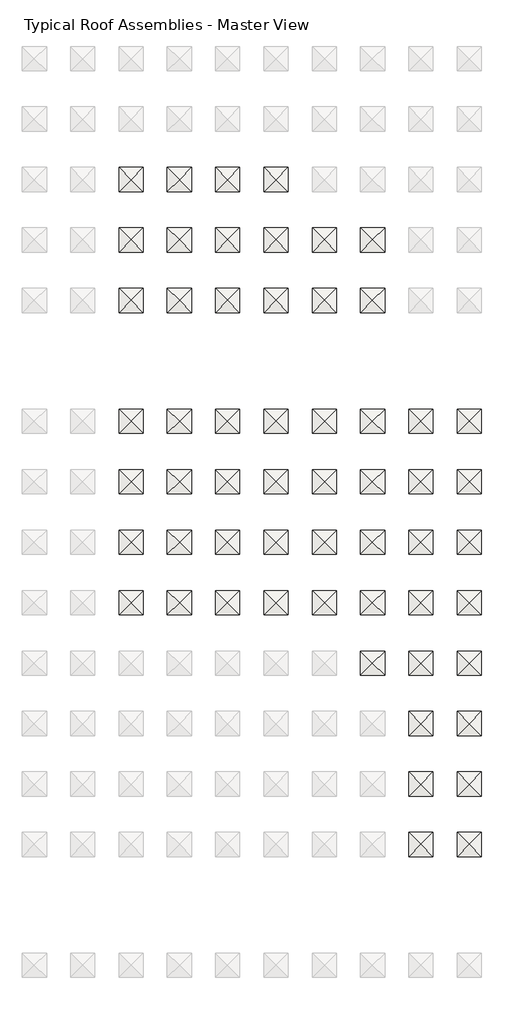
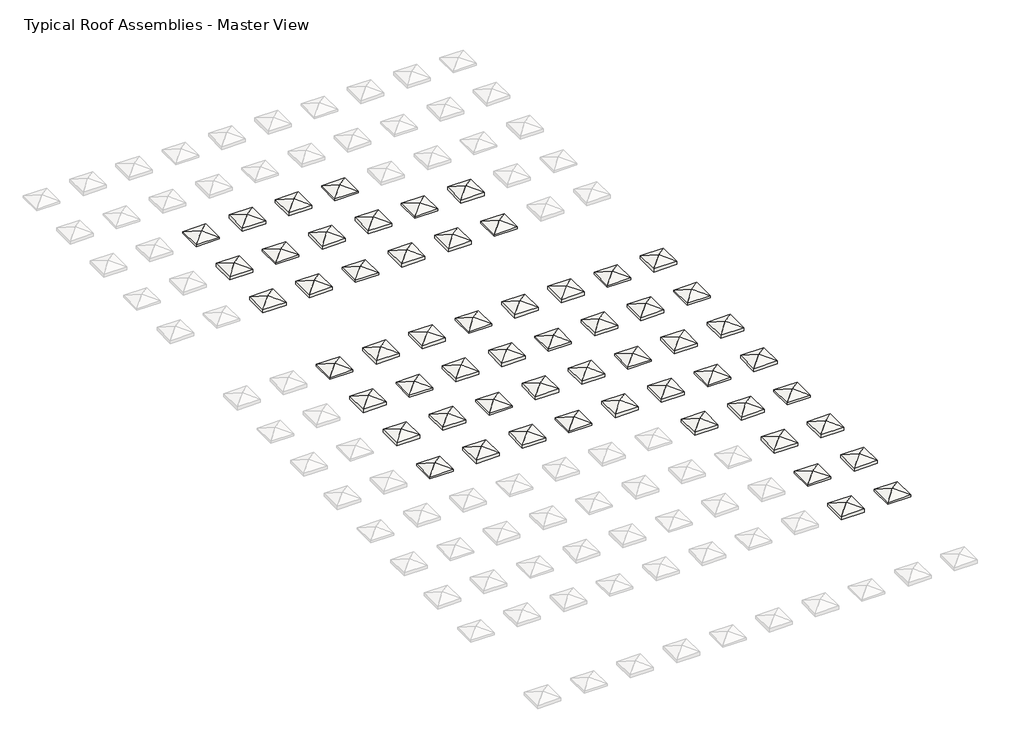
# One storey, part 4 of 6: 57 roofs.
"""IFC4 building model written with IfcOpenShell, lengths in millimetres."""

from ifc_helpers import new_model, si_unit, origin, place, context, project, spatial, faceted_brep, element, save

model = new_model("IFC4")

# Units and contexts
model_context = context("Model", 3, world=origin())
ifc_project = project(units=[si_unit("LENGTHUNIT", "METRE", prefix="MILLI")], contexts=[model_context])

# Site, building, storey
site = spatial("IfcSite", under=ifc_project)
building = spatial("IfcBuilding", under=site)
storey = spatial("IfcBuildingStorey", under=building, Name="Typical Roof Assemblies - Master View", Elevation=3048.0)

# Roofs
placement = place(None, origin())
element("IfcRoof", 1, at=placement, inside=storey, context=model_context, shape_type="Brep", body=[
    faceted_brep([(285.2728707, -99264.4766531, 3556.0), (1809.2728707, -97740.4766531, 3048.0), (1809.2728707, -100788.4766531, 3048.0), (-1238.7271293, -97740.4766531, 3048.0), (-1238.7271293, -100788.4766531, 3048.0), (1809.2728707, -97740.4766531, 3304.0928432), (285.2728707, -99264.4766531, 3812.0928432), (1809.2728707, -100788.4766531, 3304.0928432), (-1238.7271293, -97740.4766531, 3304.0928432), (-1238.7271293, -100788.4766531, 3304.0928432)], [[[0, 1, 2]], [[3, 0, 4]], [[1, 0, 3]], [[4, 0, 2]], [[5, 6, 7]], [[8, 9, 6]], [[5, 8, 6]], [[9, 7, 6]], [[3, 8, 5, 1]], [[4, 9, 8, 3]], [[2, 7, 9, 4]], [[1, 5, 7, 2]]]),
])
element("IfcRoof", 2, at=placement, inside=storey, context=model_context, shape_type="Brep", body=[
    faceted_brep([(6381.2728707, -99264.4766531, 3556.0), (7905.2728707, -97740.4766531, 3048.0), (7905.2728707, -100788.4766531, 3048.0), (4857.2728707, -97740.4766531, 3048.0), (4857.2728707, -100788.4766531, 3048.0), (7905.2728707, -97740.4766531, 3478.1235205), (6381.2728707, -99264.4766531, 3986.1235205), (7905.2728707, -100788.4766531, 3478.1235205), (4857.2728707, -97740.4766531, 3478.1235205), (4857.2728707, -100788.4766531, 3478.1235205)], [[[0, 1, 2]], [[3, 0, 4]], [[1, 0, 3]], [[4, 0, 2]], [[5, 6, 7]], [[8, 9, 6]], [[5, 8, 6]], [[9, 7, 6]], [[3, 8, 5, 1]], [[4, 9, 8, 3]], [[2, 7, 9, 4]], [[1, 5, 7, 2]]]),
])
element("IfcRoof", 3, at=placement, inside=storey, context=model_context, shape_type="Brep", body=[
    faceted_brep([(12477.2728707, -99264.4766531, 3556.0), (14001.2728707, -97740.4766531, 3048.0), (14001.2728707, -100788.4766531, 3048.0), (10953.2728707, -97740.4766531, 3048.0), (10953.2728707, -100788.4766531, 3048.0), (14001.2728707, -97740.4766531, 3474.7767703), (12477.2728707, -99264.4766531, 3982.7767703), (14001.2728707, -100788.4766531, 3474.7767703), (10953.2728707, -97740.4766531, 3474.7767703), (10953.2728707, -100788.4766531, 3474.7767703)], [[[0, 1, 2]], [[3, 0, 4]], [[1, 0, 3]], [[4, 0, 2]], [[5, 6, 7]], [[8, 9, 6]], [[5, 8, 6]], [[9, 7, 6]], [[3, 8, 5, 1]], [[4, 9, 8, 3]], [[2, 7, 9, 4]], [[1, 5, 7, 2]]]),
])
element("IfcRoof", 4, at=placement, inside=storey, context=model_context, shape_type="Brep", body=[
    faceted_brep([(18573.2728707, -99264.4766531, 3556.0), (20097.2728707, -97740.4766531, 3048.0), (20097.2728707, -100788.4766531, 3048.0), (17049.2728707, -97740.4766531, 3048.0), (17049.2728707, -100788.4766531, 3048.0), (20097.2728707, -97740.4766531, 3304.0928432), (18573.2728707, -99264.4766531, 3812.0928432), (20097.2728707, -100788.4766531, 3304.0928432), (17049.2728707, -97740.4766531, 3304.0928432), (17049.2728707, -100788.4766531, 3304.0928432)], [[[0, 1, 2]], [[3, 0, 4]], [[1, 0, 3]], [[4, 0, 2]], [[5, 6, 7]], [[8, 9, 6]], [[5, 8, 6]], [[9, 7, 6]], [[3, 8, 5, 1]], [[4, 9, 8, 3]], [[2, 7, 9, 4]], [[1, 5, 7, 2]]]),
])
element("IfcRoof", 5, at=placement, inside=storey, context=model_context, shape_type="Brep", body=[
    faceted_brep([(285.2728707, -106884.4766531, 3556.0), (1809.2728707, -105360.4766531, 3048.0), (1809.2728707, -108408.4766531, 3048.0), (-1238.7271293, -105360.4766531, 3048.0), (-1238.7271293, -108408.4766531, 3048.0), (1809.2728707, -105360.4766531, 3476.3832082), (285.2728707, -106884.4766531, 3984.3832082), (1809.2728707, -108408.4766531, 3476.3832082), (-1238.7271293, -105360.4766531, 3476.3832082), (-1238.7271293, -108408.4766531, 3476.3832082)], [[[0, 1, 2]], [[3, 0, 4]], [[1, 0, 3]], [[4, 0, 2]], [[5, 6, 7]], [[8, 9, 6]], [[5, 8, 6]], [[9, 7, 6]], [[3, 8, 5, 1]], [[4, 9, 8, 3]], [[2, 7, 9, 4]], [[1, 5, 7, 2]]]),
])
element("IfcRoof", 6, at=placement, inside=storey, context=model_context, shape_type="Brep", body=[
    faceted_brep([(6381.2728707, -106884.4766531, 3556.0), (7905.2728707, -105360.4766531, 3048.0), (7905.2728707, -108408.4766531, 3048.0), (4857.2728707, -105360.4766531, 3048.0), (4857.2728707, -108408.4766531, 3048.0), (7905.2728707, -105360.4766531, 3304.0928432), (6381.2728707, -106884.4766531, 3812.0928432), (7905.2728707, -108408.4766531, 3304.0928432), (4857.2728707, -105360.4766531, 3304.0928432), (4857.2728707, -108408.4766531, 3304.0928432)], [[[0, 1, 2]], [[3, 0, 4]], [[1, 0, 3]], [[4, 0, 2]], [[5, 6, 7]], [[8, 9, 6]], [[5, 8, 6]], [[9, 7, 6]], [[3, 8, 5, 1]], [[4, 9, 8, 3]], [[2, 7, 9, 4]], [[1, 5, 7, 2]]]),
])
element("IfcRoof", 7, at=placement, inside=storey, context=model_context, shape_type="Brep", body=[
    faceted_brep([(12477.2728707, -106884.4766531, 3556.0), (14001.2728707, -105360.4766531, 3048.0), (14001.2728707, -108408.4766531, 3048.0), (10953.2728707, -105360.4766531, 3048.0), (10953.2728707, -108408.4766531, 3048.0), (14001.2728707, -105360.4766531, 3478.1235205), (12477.2728707, -106884.4766531, 3986.1235205), (14001.2728707, -108408.4766531, 3478.1235205), (10953.2728707, -105360.4766531, 3478.1235205), (10953.2728707, -108408.4766531, 3478.1235205)], [[[0, 1, 2]], [[3, 0, 4]], [[1, 0, 3]], [[4, 0, 2]], [[5, 6, 7]], [[8, 9, 6]], [[5, 8, 6]], [[9, 7, 6]], [[3, 8, 5, 1]], [[4, 9, 8, 3]], [[2, 7, 9, 4]], [[1, 5, 7, 2]]]),
])
element("IfcRoof", 8, at=placement, inside=storey, context=model_context, shape_type="Brep", body=[
    faceted_brep([(18573.2728707, -106884.4766531, 3556.0), (20097.2728707, -105360.4766531, 3048.0), (20097.2728707, -108408.4766531, 3048.0), (17049.2728707, -105360.4766531, 3048.0), (17049.2728707, -108408.4766531, 3048.0), (20097.2728707, -105360.4766531, 3474.7767703), (18573.2728707, -106884.4766531, 3982.7767703), (20097.2728707, -108408.4766531, 3474.7767703), (17049.2728707, -105360.4766531, 3474.7767703), (17049.2728707, -108408.4766531, 3474.7767703)], [[[0, 1, 2]], [[3, 0, 4]], [[1, 0, 3]], [[4, 0, 2]], [[5, 6, 7]], [[8, 9, 6]], [[5, 8, 6]], [[9, 7, 6]], [[3, 8, 5, 1]], [[4, 9, 8, 3]], [[2, 7, 9, 4]], [[1, 5, 7, 2]]]),
])
element("IfcRoof", 9, at=placement, inside=storey, context=model_context, shape_type="Brep", body=[
    faceted_brep([(24669.2728707, -106884.4766531, 3556.0), (26193.2728707, -105360.4766531, 3048.0), (26193.2728707, -108408.4766531, 3048.0), (23145.2728707, -105360.4766531, 3048.0), (23145.2728707, -108408.4766531, 3048.0), (26193.2728707, -105360.4766531, 3304.0928432), (24669.2728707, -106884.4766531, 3812.0928432), (26193.2728707, -108408.4766531, 3304.0928432), (23145.2728707, -105360.4766531, 3304.0928432), (23145.2728707, -108408.4766531, 3304.0928432)], [[[0, 1, 2]], [[3, 0, 4]], [[1, 0, 3]], [[4, 0, 2]], [[5, 6, 7]], [[8, 9, 6]], [[5, 8, 6]], [[9, 7, 6]], [[3, 8, 5, 1]], [[4, 9, 8, 3]], [[2, 7, 9, 4]], [[1, 5, 7, 2]]]),
])
element("IfcRoof", 10, at=placement, inside=storey, context=model_context, shape_type="Brep", body=[
    faceted_brep([(30765.2728707, -106884.4766531, 3556.0), (32289.2728707, -105360.4766531, 3048.0), (32289.2728707, -108408.4766531, 3048.0), (29241.2728707, -105360.4766531, 3048.0), (29241.2728707, -108408.4766531, 3048.0), (32289.2728707, -105360.4766531, 3479.7299585), (30765.2728707, -106884.4766531, 3987.7299585), (32289.2728707, -108408.4766531, 3479.7299585), (29241.2728707, -105360.4766531, 3479.7299585), (29241.2728707, -108408.4766531, 3479.7299585)], [[[0, 1, 2]], [[3, 0, 4]], [[1, 0, 3]], [[4, 0, 2]], [[5, 6, 7]], [[8, 9, 6]], [[5, 8, 6]], [[9, 7, 6]], [[3, 8, 5, 1]], [[4, 9, 8, 3]], [[2, 7, 9, 4]], [[1, 5, 7, 2]]]),
])
element("IfcRoof", 11, at=placement, inside=storey, context=model_context, shape_type="Brep", body=[
    faceted_brep([(285.2728707, -114504.4766531, 3556.0), (1809.2728707, -112980.4766531, 3048.0), (1809.2728707, -116028.4766531, 3048.0), (-1238.7271293, -112980.4766531, 3048.0), (-1238.7271293, -116028.4766531, 3048.0), (1809.2728707, -112980.4766531, 3479.7299585), (285.2728707, -114504.4766531, 3987.7299585), (1809.2728707, -116028.4766531, 3479.7299585), (-1238.7271293, -112980.4766531, 3479.7299585), (-1238.7271293, -116028.4766531, 3479.7299585)], [[[0, 1, 2]], [[3, 0, 4]], [[1, 0, 3]], [[4, 0, 2]], [[5, 6, 7]], [[8, 9, 6]], [[5, 8, 6]], [[9, 7, 6]], [[3, 8, 5, 1]], [[4, 9, 8, 3]], [[2, 7, 9, 4]], [[1, 5, 7, 2]]]),
])
element("IfcRoof", 12, at=placement, inside=storey, context=model_context, shape_type="Brep", body=[
    faceted_brep([(6381.2728707, -114504.4766531, 3556.0), (7905.2728707, -112980.4766531, 3048.0), (7905.2728707, -116028.4766531, 3048.0), (4857.2728707, -112980.4766531, 3048.0), (4857.2728707, -116028.4766531, 3048.0), (7905.2728707, -112980.4766531, 3476.3832082), (6381.2728707, -114504.4766531, 3984.3832082), (7905.2728707, -116028.4766531, 3476.3832082), (4857.2728707, -112980.4766531, 3476.3832082), (4857.2728707, -116028.4766531, 3476.3832082)], [[[0, 1, 2]], [[3, 0, 4]], [[1, 0, 3]], [[4, 0, 2]], [[5, 6, 7]], [[8, 9, 6]], [[5, 8, 6]], [[9, 7, 6]], [[3, 8, 5, 1]], [[4, 9, 8, 3]], [[2, 7, 9, 4]], [[1, 5, 7, 2]]]),
])
element("IfcRoof", 13, at=placement, inside=storey, context=model_context, shape_type="Brep", body=[
    faceted_brep([(12477.2728707, -114504.4766531, 3556.0), (14001.2728707, -112980.4766531, 3048.0), (14001.2728707, -116028.4766531, 3048.0), (10953.2728707, -112980.4766531, 3048.0), (10953.2728707, -116028.4766531, 3048.0), (14001.2728707, -112980.4766531, 3304.0928432), (12477.2728707, -114504.4766531, 3812.0928432), (14001.2728707, -116028.4766531, 3304.0928432), (10953.2728707, -112980.4766531, 3304.0928432), (10953.2728707, -116028.4766531, 3304.0928432)], [[[0, 1, 2]], [[3, 0, 4]], [[1, 0, 3]], [[4, 0, 2]], [[5, 6, 7]], [[8, 9, 6]], [[5, 8, 6]], [[9, 7, 6]], [[3, 8, 5, 1]], [[4, 9, 8, 3]], [[2, 7, 9, 4]], [[1, 5, 7, 2]]]),
])
element("IfcRoof", 14, at=placement, inside=storey, context=model_context, shape_type="Brep", body=[
    faceted_brep([(18573.2728707, -114504.4766531, 3556.0), (20097.2728707, -112980.4766531, 3048.0), (20097.2728707, -116028.4766531, 3048.0), (17049.2728707, -112980.4766531, 3048.0), (17049.2728707, -116028.4766531, 3048.0), (20097.2728707, -112980.4766531, 3478.1235205), (18573.2728707, -114504.4766531, 3986.1235205), (20097.2728707, -116028.4766531, 3478.1235205), (17049.2728707, -112980.4766531, 3478.1235205), (17049.2728707, -116028.4766531, 3478.1235205)], [[[0, 1, 2]], [[3, 0, 4]], [[1, 0, 3]], [[4, 0, 2]], [[5, 6, 7]], [[8, 9, 6]], [[5, 8, 6]], [[9, 7, 6]], [[3, 8, 5, 1]], [[4, 9, 8, 3]], [[2, 7, 9, 4]], [[1, 5, 7, 2]]]),
])
element("IfcRoof", 15, at=placement, inside=storey, context=model_context, shape_type="Brep", body=[
    faceted_brep([(24669.2728707, -114504.4766531, 3556.0), (26193.2728707, -112980.4766531, 3048.0), (26193.2728707, -116028.4766531, 3048.0), (23145.2728707, -112980.4766531, 3048.0), (23145.2728707, -116028.4766531, 3048.0), (26193.2728707, -112980.4766531, 3474.7767703), (24669.2728707, -114504.4766531, 3982.7767703), (26193.2728707, -116028.4766531, 3474.7767703), (23145.2728707, -112980.4766531, 3474.7767703), (23145.2728707, -116028.4766531, 3474.7767703)], [[[0, 1, 2]], [[3, 0, 4]], [[1, 0, 3]], [[4, 0, 2]], [[5, 6, 7]], [[8, 9, 6]], [[5, 8, 6]], [[9, 7, 6]], [[3, 8, 5, 1]], [[4, 9, 8, 3]], [[2, 7, 9, 4]], [[1, 5, 7, 2]]]),
])
element("IfcRoof", 16, at=placement, inside=storey, context=model_context, shape_type="Brep", body=[
    faceted_brep([(30765.2728707, -114504.4766531, 3556.0), (32289.2728707, -112980.4766531, 3048.0), (32289.2728707, -116028.4766531, 3048.0), (29241.2728707, -112980.4766531, 3048.0), (29241.2728707, -116028.4766531, 3048.0), (32289.2728707, -112980.4766531, 3304.0928432), (30765.2728707, -114504.4766531, 3812.0928432), (32289.2728707, -116028.4766531, 3304.0928432), (29241.2728707, -112980.4766531, 3304.0928432), (29241.2728707, -116028.4766531, 3304.0928432)], [[[0, 1, 2]], [[3, 0, 4]], [[1, 0, 3]], [[4, 0, 2]], [[5, 6, 7]], [[8, 9, 6]], [[5, 8, 6]], [[9, 7, 6]], [[3, 8, 5, 1]], [[4, 9, 8, 3]], [[2, 7, 9, 4]], [[1, 5, 7, 2]]]),
])
element("IfcRoof", 17, at=placement, inside=storey, context=model_context, shape_type="Brep", body=[
    faceted_brep([(285.2728707, -129744.4766531, 3556.0), (1809.2728707, -128220.4766531, 3048.0), (1809.2728707, -131268.4766531, 3048.0), (-1238.7271293, -128220.4766531, 3048.0), (-1238.7271293, -131268.4766531, 3048.0), (1809.2728707, -128220.4766531, 3304.0928432), (285.2728707, -129744.4766531, 3812.0928432), (1809.2728707, -131268.4766531, 3304.0928432), (-1238.7271293, -128220.4766531, 3304.0928432), (-1238.7271293, -131268.4766531, 3304.0928432)], [[[0, 1, 2]], [[3, 0, 4]], [[1, 0, 3]], [[4, 0, 2]], [[5, 6, 7]], [[8, 9, 6]], [[5, 8, 6]], [[9, 7, 6]], [[3, 8, 5, 1]], [[4, 9, 8, 3]], [[2, 7, 9, 4]], [[1, 5, 7, 2]]]),
])
element("IfcRoof", 18, at=placement, inside=storey, context=model_context, shape_type="Brep", body=[
    faceted_brep([(6381.2728707, -129744.4766531, 3556.0), (7905.2728707, -128220.4766531, 3048.0), (7905.2728707, -131268.4766531, 3048.0), (4857.2728707, -128220.4766531, 3048.0), (4857.2728707, -131268.4766531, 3048.0), (7905.2728707, -128220.4766531, 3479.7299585), (6381.2728707, -129744.4766531, 3987.7299585), (7905.2728707, -131268.4766531, 3479.7299585), (4857.2728707, -128220.4766531, 3479.7299585), (4857.2728707, -131268.4766531, 3479.7299585)], [[[0, 1, 2]], [[3, 0, 4]], [[1, 0, 3]], [[4, 0, 2]], [[5, 6, 7]], [[8, 9, 6]], [[5, 8, 6]], [[9, 7, 6]], [[3, 8, 5, 1]], [[4, 9, 8, 3]], [[2, 7, 9, 4]], [[1, 5, 7, 2]]]),
])
element("IfcRoof", 19, at=placement, inside=storey, context=model_context, shape_type="Brep", body=[
    faceted_brep([(12477.2728707, -129744.4766531, 3556.0), (14001.2728707, -128220.4766531, 3048.0), (14001.2728707, -131268.4766531, 3048.0), (10953.2728707, -128220.4766531, 3048.0), (10953.2728707, -131268.4766531, 3048.0), (14001.2728707, -128220.4766531, 3476.3832082), (12477.2728707, -129744.4766531, 3984.3832082), (14001.2728707, -131268.4766531, 3476.3832082), (10953.2728707, -128220.4766531, 3476.3832082), (10953.2728707, -131268.4766531, 3476.3832082)], [[[0, 1, 2]], [[3, 0, 4]], [[1, 0, 3]], [[4, 0, 2]], [[5, 6, 7]], [[8, 9, 6]], [[5, 8, 6]], [[9, 7, 6]], [[3, 8, 5, 1]], [[4, 9, 8, 3]], [[2, 7, 9, 4]], [[1, 5, 7, 2]]]),
])
element("IfcRoof", 20, at=placement, inside=storey, context=model_context, shape_type="Brep", body=[
    faceted_brep([(18573.2728707, -129744.4766531, 3556.0), (20097.2728707, -128220.4766531, 3048.0), (20097.2728707, -131268.4766531, 3048.0), (17049.2728707, -128220.4766531, 3048.0), (17049.2728707, -131268.4766531, 3048.0), (20097.2728707, -128220.4766531, 3304.0928432), (18573.2728707, -129744.4766531, 3812.0928432), (20097.2728707, -131268.4766531, 3304.0928432), (17049.2728707, -128220.4766531, 3304.0928432), (17049.2728707, -131268.4766531, 3304.0928432)], [[[0, 1, 2]], [[3, 0, 4]], [[1, 0, 3]], [[4, 0, 2]], [[5, 6, 7]], [[8, 9, 6]], [[5, 8, 6]], [[9, 7, 6]], [[3, 8, 5, 1]], [[4, 9, 8, 3]], [[2, 7, 9, 4]], [[1, 5, 7, 2]]]),
])
element("IfcRoof", 21, at=placement, inside=storey, context=model_context, shape_type="Brep", body=[
    faceted_brep([(24669.2728707, -129744.4766531, 3556.0), (26193.2728707, -128220.4766531, 3048.0), (26193.2728707, -131268.4766531, 3048.0), (23145.2728707, -128220.4766531, 3048.0), (23145.2728707, -131268.4766531, 3048.0), (26193.2728707, -128220.4766531, 3478.1235205), (24669.2728707, -129744.4766531, 3986.1235205), (26193.2728707, -131268.4766531, 3478.1235205), (23145.2728707, -128220.4766531, 3478.1235205), (23145.2728707, -131268.4766531, 3478.1235205)], [[[0, 1, 2]], [[3, 0, 4]], [[1, 0, 3]], [[4, 0, 2]], [[5, 6, 7]], [[8, 9, 6]], [[5, 8, 6]], [[9, 7, 6]], [[3, 8, 5, 1]], [[4, 9, 8, 3]], [[2, 7, 9, 4]], [[1, 5, 7, 2]]]),
])
element("IfcRoof", 22, at=placement, inside=storey, context=model_context, shape_type="Brep", body=[
    faceted_brep([(30765.2728707, -129744.4766531, 3556.0), (32289.2728707, -128220.4766531, 3048.0), (32289.2728707, -131268.4766531, 3048.0), (29241.2728707, -128220.4766531, 3048.0), (29241.2728707, -131268.4766531, 3048.0), (32289.2728707, -128220.4766531, 3474.7767703), (30765.2728707, -129744.4766531, 3982.7767703), (32289.2728707, -131268.4766531, 3474.7767703), (29241.2728707, -128220.4766531, 3474.7767703), (29241.2728707, -131268.4766531, 3474.7767703)], [[[0, 1, 2]], [[3, 0, 4]], [[1, 0, 3]], [[4, 0, 2]], [[5, 6, 7]], [[8, 9, 6]], [[5, 8, 6]], [[9, 7, 6]], [[3, 8, 5, 1]], [[4, 9, 8, 3]], [[2, 7, 9, 4]], [[1, 5, 7, 2]]]),
])
element("IfcRoof", 23, at=placement, inside=storey, context=model_context, shape_type="Brep", body=[
    faceted_brep([(36861.2728707, -129744.4766531, 3556.0), (38385.2728707, -128220.4766531, 3048.0), (38385.2728707, -131268.4766531, 3048.0), (35337.2728707, -128220.4766531, 3048.0), (35337.2728707, -131268.4766531, 3048.0), (38385.2728707, -128220.4766531, 3304.0928432), (36861.2728707, -129744.4766531, 3812.0928432), (38385.2728707, -131268.4766531, 3304.0928432), (35337.2728707, -128220.4766531, 3304.0928432), (35337.2728707, -131268.4766531, 3304.0928432)], [[[0, 1, 2]], [[3, 0, 4]], [[1, 0, 3]], [[4, 0, 2]], [[5, 6, 7]], [[8, 9, 6]], [[5, 8, 6]], [[9, 7, 6]], [[3, 8, 5, 1]], [[4, 9, 8, 3]], [[2, 7, 9, 4]], [[1, 5, 7, 2]]]),
])
element("IfcRoof", 24, at=placement, inside=storey, context=model_context, shape_type="Brep", body=[
    faceted_brep([(42957.2728707, -129744.4766531, 3556.0), (44481.2728707, -128220.4766531, 3048.0), (44481.2728707, -131268.4766531, 3048.0), (41433.2728707, -128220.4766531, 3048.0), (41433.2728707, -131268.4766531, 3048.0), (44481.2728707, -128220.4766531, 3479.7299585), (42957.2728707, -129744.4766531, 3987.7299585), (44481.2728707, -131268.4766531, 3479.7299585), (41433.2728707, -128220.4766531, 3479.7299585), (41433.2728707, -131268.4766531, 3479.7299585)], [[[0, 1, 2]], [[3, 0, 4]], [[1, 0, 3]], [[4, 0, 2]], [[5, 6, 7]], [[8, 9, 6]], [[5, 8, 6]], [[9, 7, 6]], [[3, 8, 5, 1]], [[4, 9, 8, 3]], [[2, 7, 9, 4]], [[1, 5, 7, 2]]]),
])
element("IfcRoof", 25, at=placement, inside=storey, context=model_context, shape_type="Brep", body=[
    faceted_brep([(285.2728707, -137364.4766531, 3556.0), (1809.2728707, -135840.4766531, 3048.0), (1809.2728707, -138888.4766531, 3048.0), (-1238.7271293, -135840.4766531, 3048.0), (-1238.7271293, -138888.4766531, 3048.0), (1809.2728707, -135840.4766531, 3474.7767703), (285.2728707, -137364.4766531, 3982.7767703), (1809.2728707, -138888.4766531, 3474.7767703), (-1238.7271293, -135840.4766531, 3474.7767703), (-1238.7271293, -138888.4766531, 3474.7767703)], [[[0, 1, 2]], [[3, 0, 4]], [[1, 0, 3]], [[4, 0, 2]], [[5, 6, 7]], [[8, 9, 6]], [[5, 8, 6]], [[9, 7, 6]], [[3, 8, 5, 1]], [[4, 9, 8, 3]], [[2, 7, 9, 4]], [[1, 5, 7, 2]]]),
])
element("IfcRoof", 26, at=placement, inside=storey, context=model_context, shape_type="Brep", body=[
    faceted_brep([(6381.2728707, -137364.4766531, 3556.0), (7905.2728707, -135840.4766531, 3048.0), (7905.2728707, -138888.4766531, 3048.0), (4857.2728707, -135840.4766531, 3048.0), (4857.2728707, -138888.4766531, 3048.0), (7905.2728707, -135840.4766531, 3304.0928432), (6381.2728707, -137364.4766531, 3812.0928432), (7905.2728707, -138888.4766531, 3304.0928432), (4857.2728707, -135840.4766531, 3304.0928432), (4857.2728707, -138888.4766531, 3304.0928432)], [[[0, 1, 2]], [[3, 0, 4]], [[1, 0, 3]], [[4, 0, 2]], [[5, 6, 7]], [[8, 9, 6]], [[5, 8, 6]], [[9, 7, 6]], [[3, 8, 5, 1]], [[4, 9, 8, 3]], [[2, 7, 9, 4]], [[1, 5, 7, 2]]]),
])
element("IfcRoof", 27, at=placement, inside=storey, context=model_context, shape_type="Brep", body=[
    faceted_brep([(12477.2728707, -137364.4766531, 3556.0), (14001.2728707, -135840.4766531, 3048.0), (14001.2728707, -138888.4766531, 3048.0), (10953.2728707, -135840.4766531, 3048.0), (10953.2728707, -138888.4766531, 3048.0), (14001.2728707, -135840.4766531, 3479.7299585), (12477.2728707, -137364.4766531, 3987.7299585), (14001.2728707, -138888.4766531, 3479.7299585), (10953.2728707, -135840.4766531, 3479.7299585), (10953.2728707, -138888.4766531, 3479.7299585)], [[[0, 1, 2]], [[3, 0, 4]], [[1, 0, 3]], [[4, 0, 2]], [[5, 6, 7]], [[8, 9, 6]], [[5, 8, 6]], [[9, 7, 6]], [[3, 8, 5, 1]], [[4, 9, 8, 3]], [[2, 7, 9, 4]], [[1, 5, 7, 2]]]),
])
element("IfcRoof", 28, at=placement, inside=storey, context=model_context, shape_type="Brep", body=[
    faceted_brep([(18573.2728707, -137364.4766531, 3556.0), (20097.2728707, -135840.4766531, 3048.0), (20097.2728707, -138888.4766531, 3048.0), (17049.2728707, -135840.4766531, 3048.0), (17049.2728707, -138888.4766531, 3048.0), (20097.2728707, -135840.4766531, 3476.3832082), (18573.2728707, -137364.4766531, 3984.3832082), (20097.2728707, -138888.4766531, 3476.3832082), (17049.2728707, -135840.4766531, 3476.3832082), (17049.2728707, -138888.4766531, 3476.3832082)], [[[0, 1, 2]], [[3, 0, 4]], [[1, 0, 3]], [[4, 0, 2]], [[5, 6, 7]], [[8, 9, 6]], [[5, 8, 6]], [[9, 7, 6]], [[3, 8, 5, 1]], [[4, 9, 8, 3]], [[2, 7, 9, 4]], [[1, 5, 7, 2]]]),
])
element("IfcRoof", 29, at=placement, inside=storey, context=model_context, shape_type="Brep", body=[
    faceted_brep([(24669.2728707, -137364.4766531, 3556.0), (26193.2728707, -135840.4766531, 3048.0), (26193.2728707, -138888.4766531, 3048.0), (23145.2728707, -135840.4766531, 3048.0), (23145.2728707, -138888.4766531, 3048.0), (26193.2728707, -135840.4766531, 3304.0928432), (24669.2728707, -137364.4766531, 3812.0928432), (26193.2728707, -138888.4766531, 3304.0928432), (23145.2728707, -135840.4766531, 3304.0928432), (23145.2728707, -138888.4766531, 3304.0928432)], [[[0, 1, 2]], [[3, 0, 4]], [[1, 0, 3]], [[4, 0, 2]], [[5, 6, 7]], [[8, 9, 6]], [[5, 8, 6]], [[9, 7, 6]], [[3, 8, 5, 1]], [[4, 9, 8, 3]], [[2, 7, 9, 4]], [[1, 5, 7, 2]]]),
])
element("IfcRoof", 30, at=placement, inside=storey, context=model_context, shape_type="Brep", body=[
    faceted_brep([(30765.2728707, -137364.4766531, 3556.0), (32289.2728707, -135840.4766531, 3048.0), (32289.2728707, -138888.4766531, 3048.0), (29241.2728707, -135840.4766531, 3048.0), (29241.2728707, -138888.4766531, 3048.0), (32289.2728707, -135840.4766531, 3478.1235205), (30765.2728707, -137364.4766531, 3986.1235205), (32289.2728707, -138888.4766531, 3478.1235205), (29241.2728707, -135840.4766531, 3478.1235205), (29241.2728707, -138888.4766531, 3478.1235205)], [[[0, 1, 2]], [[3, 0, 4]], [[1, 0, 3]], [[4, 0, 2]], [[5, 6, 7]], [[8, 9, 6]], [[5, 8, 6]], [[9, 7, 6]], [[3, 8, 5, 1]], [[4, 9, 8, 3]], [[2, 7, 9, 4]], [[1, 5, 7, 2]]]),
])
element("IfcRoof", 31, at=placement, inside=storey, context=model_context, shape_type="Brep", body=[
    faceted_brep([(36861.2728707, -137364.4766531, 3556.0), (38385.2728707, -135840.4766531, 3048.0), (38385.2728707, -138888.4766531, 3048.0), (35337.2728707, -135840.4766531, 3048.0), (35337.2728707, -138888.4766531, 3048.0), (38385.2728707, -135840.4766531, 3474.7767703), (36861.2728707, -137364.4766531, 3982.7767703), (38385.2728707, -138888.4766531, 3474.7767703), (35337.2728707, -135840.4766531, 3474.7767703), (35337.2728707, -138888.4766531, 3474.7767703)], [[[0, 1, 2]], [[3, 0, 4]], [[1, 0, 3]], [[4, 0, 2]], [[5, 6, 7]], [[8, 9, 6]], [[5, 8, 6]], [[9, 7, 6]], [[3, 8, 5, 1]], [[4, 9, 8, 3]], [[2, 7, 9, 4]], [[1, 5, 7, 2]]]),
])
element("IfcRoof", 32, at=placement, inside=storey, context=model_context, shape_type="Brep", body=[
    faceted_brep([(42957.2728707, -137364.4766531, 3556.0), (44481.2728707, -135840.4766531, 3048.0), (44481.2728707, -138888.4766531, 3048.0), (41433.2728707, -135840.4766531, 3048.0), (41433.2728707, -138888.4766531, 3048.0), (44481.2728707, -135840.4766531, 3304.0928432), (42957.2728707, -137364.4766531, 3812.0928432), (44481.2728707, -138888.4766531, 3304.0928432), (41433.2728707, -135840.4766531, 3304.0928432), (41433.2728707, -138888.4766531, 3304.0928432)], [[[0, 1, 2]], [[3, 0, 4]], [[1, 0, 3]], [[4, 0, 2]], [[5, 6, 7]], [[8, 9, 6]], [[5, 8, 6]], [[9, 7, 6]], [[3, 8, 5, 1]], [[4, 9, 8, 3]], [[2, 7, 9, 4]], [[1, 5, 7, 2]]]),
])
element("IfcRoof", 33, at=placement, inside=storey, context=model_context, shape_type="Brep", body=[
    faceted_brep([(285.2728707, -144984.4766531, 3556.0), (1809.2728707, -143460.4766531, 3048.0), (1809.2728707, -146508.4766531, 3048.0), (-1238.7271293, -143460.4766531, 3048.0), (-1238.7271293, -146508.4766531, 3048.0), (1809.2728707, -143460.4766531, 3478.1235205), (285.2728707, -144984.4766531, 3986.1235205), (1809.2728707, -146508.4766531, 3478.1235205), (-1238.7271293, -143460.4766531, 3478.1235205), (-1238.7271293, -146508.4766531, 3478.1235205)], [[[0, 1, 2]], [[3, 0, 4]], [[1, 0, 3]], [[4, 0, 2]], [[5, 6, 7]], [[8, 9, 6]], [[5, 8, 6]], [[9, 7, 6]], [[3, 8, 5, 1]], [[4, 9, 8, 3]], [[2, 7, 9, 4]], [[1, 5, 7, 2]]]),
])
element("IfcRoof", 34, at=placement, inside=storey, context=model_context, shape_type="Brep", body=[
    faceted_brep([(6381.2728707, -144984.4766531, 3556.0), (7905.2728707, -143460.4766531, 3048.0), (7905.2728707, -146508.4766531, 3048.0), (4857.2728707, -143460.4766531, 3048.0), (4857.2728707, -146508.4766531, 3048.0), (7905.2728707, -143460.4766531, 3474.7767703), (6381.2728707, -144984.4766531, 3982.7767703), (7905.2728707, -146508.4766531, 3474.7767703), (4857.2728707, -143460.4766531, 3474.7767703), (4857.2728707, -146508.4766531, 3474.7767703)], [[[0, 1, 2]], [[3, 0, 4]], [[1, 0, 3]], [[4, 0, 2]], [[5, 6, 7]], [[8, 9, 6]], [[5, 8, 6]], [[9, 7, 6]], [[3, 8, 5, 1]], [[4, 9, 8, 3]], [[2, 7, 9, 4]], [[1, 5, 7, 2]]]),
])
element("IfcRoof", 35, at=placement, inside=storey, context=model_context, shape_type="Brep", body=[
    faceted_brep([(12477.2728707, -144984.4766531, 3556.0), (14001.2728707, -143460.4766531, 3048.0), (14001.2728707, -146508.4766531, 3048.0), (10953.2728707, -143460.4766531, 3048.0), (10953.2728707, -146508.4766531, 3048.0), (14001.2728707, -143460.4766531, 3304.0928432), (12477.2728707, -144984.4766531, 3812.0928432), (14001.2728707, -146508.4766531, 3304.0928432), (10953.2728707, -143460.4766531, 3304.0928432), (10953.2728707, -146508.4766531, 3304.0928432)], [[[0, 1, 2]], [[3, 0, 4]], [[1, 0, 3]], [[4, 0, 2]], [[5, 6, 7]], [[8, 9, 6]], [[5, 8, 6]], [[9, 7, 6]], [[3, 8, 5, 1]], [[4, 9, 8, 3]], [[2, 7, 9, 4]], [[1, 5, 7, 2]]]),
])
element("IfcRoof", 36, at=placement, inside=storey, context=model_context, shape_type="Brep", body=[
    faceted_brep([(18573.2728707, -144984.4766531, 3556.0), (20097.2728707, -143460.4766531, 3048.0), (20097.2728707, -146508.4766531, 3048.0), (17049.2728707, -143460.4766531, 3048.0), (17049.2728707, -146508.4766531, 3048.0), (20097.2728707, -143460.4766531, 3479.7299585), (18573.2728707, -144984.4766531, 3987.7299585), (20097.2728707, -146508.4766531, 3479.7299585), (17049.2728707, -143460.4766531, 3479.7299585), (17049.2728707, -146508.4766531, 3479.7299585)], [[[0, 1, 2]], [[3, 0, 4]], [[1, 0, 3]], [[4, 0, 2]], [[5, 6, 7]], [[8, 9, 6]], [[5, 8, 6]], [[9, 7, 6]], [[3, 8, 5, 1]], [[4, 9, 8, 3]], [[2, 7, 9, 4]], [[1, 5, 7, 2]]]),
])
element("IfcRoof", 37, at=placement, inside=storey, context=model_context, shape_type="Brep", body=[
    faceted_brep([(24669.2728707, -144984.4766531, 3556.0), (26193.2728707, -143460.4766531, 3048.0), (26193.2728707, -146508.4766531, 3048.0), (23145.2728707, -143460.4766531, 3048.0), (23145.2728707, -146508.4766531, 3048.0), (26193.2728707, -143460.4766531, 3476.3832082), (24669.2728707, -144984.4766531, 3984.3832082), (26193.2728707, -146508.4766531, 3476.3832082), (23145.2728707, -143460.4766531, 3476.3832082), (23145.2728707, -146508.4766531, 3476.3832082)], [[[0, 1, 2]], [[3, 0, 4]], [[1, 0, 3]], [[4, 0, 2]], [[5, 6, 7]], [[8, 9, 6]], [[5, 8, 6]], [[9, 7, 6]], [[3, 8, 5, 1]], [[4, 9, 8, 3]], [[2, 7, 9, 4]], [[1, 5, 7, 2]]]),
])
element("IfcRoof", 38, at=placement, inside=storey, context=model_context, shape_type="Brep", body=[
    faceted_brep([(30765.2728707, -144984.4766531, 3556.0), (32289.2728707, -143460.4766531, 3048.0), (32289.2728707, -146508.4766531, 3048.0), (29241.2728707, -143460.4766531, 3048.0), (29241.2728707, -146508.4766531, 3048.0), (32289.2728707, -143460.4766531, 3304.0928432), (30765.2728707, -144984.4766531, 3812.0928432), (32289.2728707, -146508.4766531, 3304.0928432), (29241.2728707, -143460.4766531, 3304.0928432), (29241.2728707, -146508.4766531, 3304.0928432)], [[[0, 1, 2]], [[3, 0, 4]], [[1, 0, 3]], [[4, 0, 2]], [[5, 6, 7]], [[8, 9, 6]], [[5, 8, 6]], [[9, 7, 6]], [[3, 8, 5, 1]], [[4, 9, 8, 3]], [[2, 7, 9, 4]], [[1, 5, 7, 2]]]),
])
element("IfcRoof", 39, at=placement, inside=storey, context=model_context, shape_type="Brep", body=[
    faceted_brep([(36861.2728707, -144984.4766531, 3556.0), (38385.2728707, -143460.4766531, 3048.0), (38385.2728707, -146508.4766531, 3048.0), (35337.2728707, -143460.4766531, 3048.0), (35337.2728707, -146508.4766531, 3048.0), (38385.2728707, -143460.4766531, 3478.1235205), (36861.2728707, -144984.4766531, 3986.1235205), (38385.2728707, -146508.4766531, 3478.1235205), (35337.2728707, -143460.4766531, 3478.1235205), (35337.2728707, -146508.4766531, 3478.1235205)], [[[0, 1, 2]], [[3, 0, 4]], [[1, 0, 3]], [[4, 0, 2]], [[5, 6, 7]], [[8, 9, 6]], [[5, 8, 6]], [[9, 7, 6]], [[3, 8, 5, 1]], [[4, 9, 8, 3]], [[2, 7, 9, 4]], [[1, 5, 7, 2]]]),
])
element("IfcRoof", 40, at=placement, inside=storey, context=model_context, shape_type="Brep", body=[
    faceted_brep([(42957.2728707, -144984.4766531, 3556.0), (44481.2728707, -143460.4766531, 3048.0), (44481.2728707, -146508.4766531, 3048.0), (41433.2728707, -143460.4766531, 3048.0), (41433.2728707, -146508.4766531, 3048.0), (44481.2728707, -143460.4766531, 3474.7767703), (42957.2728707, -144984.4766531, 3982.7767703), (44481.2728707, -146508.4766531, 3474.7767703), (41433.2728707, -143460.4766531, 3474.7767703), (41433.2728707, -146508.4766531, 3474.7767703)], [[[0, 1, 2]], [[3, 0, 4]], [[1, 0, 3]], [[4, 0, 2]], [[5, 6, 7]], [[8, 9, 6]], [[5, 8, 6]], [[9, 7, 6]], [[3, 8, 5, 1]], [[4, 9, 8, 3]], [[2, 7, 9, 4]], [[1, 5, 7, 2]]]),
])
element("IfcRoof", 41, at=placement, inside=storey, context=model_context, shape_type="Brep", body=[
    faceted_brep([(285.2728707, -152604.4766531, 3556.0), (1809.2728707, -151080.4766531, 3048.0), (1809.2728707, -154128.4766531, 3048.0), (-1238.7271293, -151080.4766531, 3048.0), (-1238.7271293, -154128.4766531, 3048.0), (1809.2728707, -151080.4766531, 3304.0928432), (285.2728707, -152604.4766531, 3812.0928432), (1809.2728707, -154128.4766531, 3304.0928432), (-1238.7271293, -151080.4766531, 3304.0928432), (-1238.7271293, -154128.4766531, 3304.0928432)], [[[0, 1, 2]], [[3, 0, 4]], [[1, 0, 3]], [[4, 0, 2]], [[5, 6, 7]], [[8, 9, 6]], [[5, 8, 6]], [[9, 7, 6]], [[3, 8, 5, 1]], [[4, 9, 8, 3]], [[2, 7, 9, 4]], [[1, 5, 7, 2]]]),
])
element("IfcRoof", 42, at=placement, inside=storey, context=model_context, shape_type="Brep", body=[
    faceted_brep([(6381.2728707, -152604.4766531, 3556.0), (7905.2728707, -151080.4766531, 3048.0), (7905.2728707, -154128.4766531, 3048.0), (4857.2728707, -151080.4766531, 3048.0), (4857.2728707, -154128.4766531, 3048.0), (7905.2728707, -151080.4766531, 3478.1235205), (6381.2728707, -152604.4766531, 3986.1235205), (7905.2728707, -154128.4766531, 3478.1235205), (4857.2728707, -151080.4766531, 3478.1235205), (4857.2728707, -154128.4766531, 3478.1235205)], [[[0, 1, 2]], [[3, 0, 4]], [[1, 0, 3]], [[4, 0, 2]], [[5, 6, 7]], [[8, 9, 6]], [[5, 8, 6]], [[9, 7, 6]], [[3, 8, 5, 1]], [[4, 9, 8, 3]], [[2, 7, 9, 4]], [[1, 5, 7, 2]]]),
])
element("IfcRoof", 43, at=placement, inside=storey, context=model_context, shape_type="Brep", body=[
    faceted_brep([(12477.2728707, -152604.4766531, 3556.0), (14001.2728707, -151080.4766531, 3048.0), (14001.2728707, -154128.4766531, 3048.0), (10953.2728707, -151080.4766531, 3048.0), (10953.2728707, -154128.4766531, 3048.0), (14001.2728707, -151080.4766531, 3474.7767703), (12477.2728707, -152604.4766531, 3982.7767703), (14001.2728707, -154128.4766531, 3474.7767703), (10953.2728707, -151080.4766531, 3474.7767703), (10953.2728707, -154128.4766531, 3474.7767703)], [[[0, 1, 2]], [[3, 0, 4]], [[1, 0, 3]], [[4, 0, 2]], [[5, 6, 7]], [[8, 9, 6]], [[5, 8, 6]], [[9, 7, 6]], [[3, 8, 5, 1]], [[4, 9, 8, 3]], [[2, 7, 9, 4]], [[1, 5, 7, 2]]]),
])
element("IfcRoof", 44, at=placement, inside=storey, context=model_context, shape_type="Brep", body=[
    faceted_brep([(18573.2728707, -152604.4766531, 3556.0), (20097.2728707, -151080.4766531, 3048.0), (20097.2728707, -154128.4766531, 3048.0), (17049.2728707, -151080.4766531, 3048.0), (17049.2728707, -154128.4766531, 3048.0), (20097.2728707, -151080.4766531, 3304.0928432), (18573.2728707, -152604.4766531, 3812.0928432), (20097.2728707, -154128.4766531, 3304.0928432), (17049.2728707, -151080.4766531, 3304.0928432), (17049.2728707, -154128.4766531, 3304.0928432)], [[[0, 1, 2]], [[3, 0, 4]], [[1, 0, 3]], [[4, 0, 2]], [[5, 6, 7]], [[8, 9, 6]], [[5, 8, 6]], [[9, 7, 6]], [[3, 8, 5, 1]], [[4, 9, 8, 3]], [[2, 7, 9, 4]], [[1, 5, 7, 2]]]),
])
element("IfcRoof", 45, at=placement, inside=storey, context=model_context, shape_type="Brep", body=[
    faceted_brep([(24669.2728707, -152604.4766531, 3556.0), (26193.2728707, -151080.4766531, 3048.0), (26193.2728707, -154128.4766531, 3048.0), (23145.2728707, -151080.4766531, 3048.0), (23145.2728707, -154128.4766531, 3048.0), (26193.2728707, -151080.4766531, 3479.7299585), (24669.2728707, -152604.4766531, 3987.7299585), (26193.2728707, -154128.4766531, 3479.7299585), (23145.2728707, -151080.4766531, 3479.7299585), (23145.2728707, -154128.4766531, 3479.7299585)], [[[0, 1, 2]], [[3, 0, 4]], [[1, 0, 3]], [[4, 0, 2]], [[5, 6, 7]], [[8, 9, 6]], [[5, 8, 6]], [[9, 7, 6]], [[3, 8, 5, 1]], [[4, 9, 8, 3]], [[2, 7, 9, 4]], [[1, 5, 7, 2]]]),
])
element("IfcRoof", 46, at=placement, inside=storey, context=model_context, shape_type="Brep", body=[
    faceted_brep([(30765.2728707, -152604.4766531, 3556.0), (32289.2728707, -151080.4766531, 3048.0), (32289.2728707, -154128.4766531, 3048.0), (29241.2728707, -151080.4766531, 3048.0), (29241.2728707, -154128.4766531, 3048.0), (32289.2728707, -151080.4766531, 3476.3832082), (30765.2728707, -152604.4766531, 3984.3832082), (32289.2728707, -154128.4766531, 3476.3832082), (29241.2728707, -151080.4766531, 3476.3832082), (29241.2728707, -154128.4766531, 3476.3832082)], [[[0, 1, 2]], [[3, 0, 4]], [[1, 0, 3]], [[4, 0, 2]], [[5, 6, 7]], [[8, 9, 6]], [[5, 8, 6]], [[9, 7, 6]], [[3, 8, 5, 1]], [[4, 9, 8, 3]], [[2, 7, 9, 4]], [[1, 5, 7, 2]]]),
])
element("IfcRoof", 47, at=placement, inside=storey, context=model_context, shape_type="Brep", body=[
    faceted_brep([(36861.2728707, -152604.4766531, 3556.0), (38385.2728707, -151080.4766531, 3048.0), (38385.2728707, -154128.4766531, 3048.0), (35337.2728707, -151080.4766531, 3048.0), (35337.2728707, -154128.4766531, 3048.0), (38385.2728707, -151080.4766531, 3304.0928432), (36861.2728707, -152604.4766531, 3812.0928432), (38385.2728707, -154128.4766531, 3304.0928432), (35337.2728707, -151080.4766531, 3304.0928432), (35337.2728707, -154128.4766531, 3304.0928432)], [[[0, 1, 2]], [[3, 0, 4]], [[1, 0, 3]], [[4, 0, 2]], [[5, 6, 7]], [[8, 9, 6]], [[5, 8, 6]], [[9, 7, 6]], [[3, 8, 5, 1]], [[4, 9, 8, 3]], [[2, 7, 9, 4]], [[1, 5, 7, 2]]]),
])
element("IfcRoof", 48, at=placement, inside=storey, context=model_context, shape_type="Brep", body=[
    faceted_brep([(42957.2728707, -152604.4766531, 3556.0), (44481.2728707, -151080.4766531, 3048.0), (44481.2728707, -154128.4766531, 3048.0), (41433.2728707, -151080.4766531, 3048.0), (41433.2728707, -154128.4766531, 3048.0), (44481.2728707, -151080.4766531, 3478.1235205), (42957.2728707, -152604.4766531, 3986.1235205), (44481.2728707, -154128.4766531, 3478.1235205), (41433.2728707, -151080.4766531, 3478.1235205), (41433.2728707, -154128.4766531, 3478.1235205)], [[[0, 1, 2]], [[3, 0, 4]], [[1, 0, 3]], [[4, 0, 2]], [[5, 6, 7]], [[8, 9, 6]], [[5, 8, 6]], [[9, 7, 6]], [[3, 8, 5, 1]], [[4, 9, 8, 3]], [[2, 7, 9, 4]], [[1, 5, 7, 2]]]),
])
element("IfcRoof", 49, at=placement, inside=storey, context=model_context, shape_type="Brep", body=[
    faceted_brep([(30765.2728707, -160224.4766531, 3556.0), (32289.2728707, -158700.4766531, 3048.0), (32289.2728707, -161748.4766531, 3048.0), (29241.2728707, -158700.4766531, 3048.0), (29241.2728707, -161748.4766531, 3048.0), (32289.2728707, -158700.4766531, 3479.7299585), (30765.2728707, -160224.4766531, 3987.7299585), (32289.2728707, -161748.4766531, 3479.7299585), (29241.2728707, -158700.4766531, 3479.7299585), (29241.2728707, -161748.4766531, 3479.7299585)], [[[0, 1, 2]], [[3, 0, 4]], [[1, 0, 3]], [[4, 0, 2]], [[5, 6, 7]], [[8, 9, 6]], [[5, 8, 6]], [[9, 7, 6]], [[3, 8, 5, 1]], [[4, 9, 8, 3]], [[2, 7, 9, 4]], [[1, 5, 7, 2]]]),
])
element("IfcRoof", 50, at=placement, inside=storey, context=model_context, shape_type="Brep", body=[
    faceted_brep([(36861.2728707, -160224.4766531, 3556.0), (38385.2728707, -158700.4766531, 3048.0), (38385.2728707, -161748.4766531, 3048.0), (35337.2728707, -158700.4766531, 3048.0), (35337.2728707, -161748.4766531, 3048.0), (38385.2728707, -158700.4766531, 3476.3832082), (36861.2728707, -160224.4766531, 3984.3832082), (38385.2728707, -161748.4766531, 3476.3832082), (35337.2728707, -158700.4766531, 3476.3832082), (35337.2728707, -161748.4766531, 3476.3832082)], [[[0, 1, 2]], [[3, 0, 4]], [[1, 0, 3]], [[4, 0, 2]], [[5, 6, 7]], [[8, 9, 6]], [[5, 8, 6]], [[9, 7, 6]], [[3, 8, 5, 1]], [[4, 9, 8, 3]], [[2, 7, 9, 4]], [[1, 5, 7, 2]]]),
])
element("IfcRoof", 51, at=placement, inside=storey, context=model_context, shape_type="Brep", body=[
    faceted_brep([(42957.2728707, -160224.4766531, 3556.0), (44481.2728707, -158700.4766531, 3048.0), (44481.2728707, -161748.4766531, 3048.0), (41433.2728707, -158700.4766531, 3048.0), (41433.2728707, -161748.4766531, 3048.0), (44481.2728707, -158700.4766531, 3304.0928432), (42957.2728707, -160224.4766531, 3812.0928432), (44481.2728707, -161748.4766531, 3304.0928432), (41433.2728707, -158700.4766531, 3304.0928432), (41433.2728707, -161748.4766531, 3304.0928432)], [[[0, 1, 2]], [[3, 0, 4]], [[1, 0, 3]], [[4, 0, 2]], [[5, 6, 7]], [[8, 9, 6]], [[5, 8, 6]], [[9, 7, 6]], [[3, 8, 5, 1]], [[4, 9, 8, 3]], [[2, 7, 9, 4]], [[1, 5, 7, 2]]]),
])
element("IfcRoof", 52, at=placement, inside=storey, context=model_context, shape_type="Brep", body=[
    faceted_brep([(36861.2728707, -167844.4766531, 3556.0), (38385.2728707, -166320.4766531, 3048.0), (38385.2728707, -169368.4766531, 3048.0), (35337.2728707, -166320.4766531, 3048.0), (35337.2728707, -169368.4766531, 3048.0), (38385.2728707, -166320.4766531, 3479.7299585), (36861.2728707, -167844.4766531, 3987.7299585), (38385.2728707, -169368.4766531, 3479.7299585), (35337.2728707, -166320.4766531, 3479.7299585), (35337.2728707, -169368.4766531, 3479.7299585)], [[[0, 1, 2]], [[3, 0, 4]], [[1, 0, 3]], [[4, 0, 2]], [[5, 6, 7]], [[8, 9, 6]], [[5, 8, 6]], [[9, 7, 6]], [[3, 8, 5, 1]], [[4, 9, 8, 3]], [[2, 7, 9, 4]], [[1, 5, 7, 2]]]),
])
element("IfcRoof", 53, at=placement, inside=storey, context=model_context, shape_type="Brep", body=[
    faceted_brep([(42957.2728707, -167844.4766531, 3556.0), (44481.2728707, -166320.4766531, 3048.0), (44481.2728707, -169368.4766531, 3048.0), (41433.2728707, -166320.4766531, 3048.0), (41433.2728707, -169368.4766531, 3048.0), (44481.2728707, -166320.4766531, 3476.3832082), (42957.2728707, -167844.4766531, 3984.3832082), (44481.2728707, -169368.4766531, 3476.3832082), (41433.2728707, -166320.4766531, 3476.3832082), (41433.2728707, -169368.4766531, 3476.3832082)], [[[0, 1, 2]], [[3, 0, 4]], [[1, 0, 3]], [[4, 0, 2]], [[5, 6, 7]], [[8, 9, 6]], [[5, 8, 6]], [[9, 7, 6]], [[3, 8, 5, 1]], [[4, 9, 8, 3]], [[2, 7, 9, 4]], [[1, 5, 7, 2]]]),
])
element("IfcRoof", 54, at=placement, inside=storey, context=model_context, shape_type="Brep", body=[
    faceted_brep([(36861.2728707, -175464.4766531, 3556.0), (38385.2728707, -173940.4766531, 3048.0), (38385.2728707, -176988.4766531, 3048.0), (35337.2728707, -173940.4766531, 3048.0), (35337.2728707, -176988.4766531, 3048.0), (38385.2728707, -173940.4766531, 3304.0928432), (36861.2728707, -175464.4766531, 3812.0928432), (38385.2728707, -176988.4766531, 3304.0928432), (35337.2728707, -173940.4766531, 3304.0928432), (35337.2728707, -176988.4766531, 3304.0928432)], [[[0, 1, 2]], [[3, 0, 4]], [[1, 0, 3]], [[4, 0, 2]], [[5, 6, 7]], [[8, 9, 6]], [[5, 8, 6]], [[9, 7, 6]], [[3, 8, 5, 1]], [[4, 9, 8, 3]], [[2, 7, 9, 4]], [[1, 5, 7, 2]]]),
])
element("IfcRoof", 55, at=placement, inside=storey, context=model_context, shape_type="Brep", body=[
    faceted_brep([(42957.2728707, -175464.4766531, 3556.0), (44481.2728707, -173940.4766531, 3048.0), (44481.2728707, -176988.4766531, 3048.0), (41433.2728707, -173940.4766531, 3048.0), (41433.2728707, -176988.4766531, 3048.0), (44481.2728707, -173940.4766531, 3479.7299585), (42957.2728707, -175464.4766531, 3987.7299585), (44481.2728707, -176988.4766531, 3479.7299585), (41433.2728707, -173940.4766531, 3479.7299585), (41433.2728707, -176988.4766531, 3479.7299585)], [[[0, 1, 2]], [[3, 0, 4]], [[1, 0, 3]], [[4, 0, 2]], [[5, 6, 7]], [[8, 9, 6]], [[5, 8, 6]], [[9, 7, 6]], [[3, 8, 5, 1]], [[4, 9, 8, 3]], [[2, 7, 9, 4]], [[1, 5, 7, 2]]]),
])
element("IfcRoof", 56, at=placement, inside=storey, context=model_context, shape_type="Brep", body=[
    faceted_brep([(36861.2728707, -183084.4766531, 3556.0), (38385.2728707, -181560.4766531, 3048.0), (38385.2728707, -184608.4766531, 3048.0), (35337.2728707, -181560.4766531, 3048.0), (35337.2728707, -184608.4766531, 3048.0), (38385.2728707, -181560.4766531, 3474.7767703), (36861.2728707, -183084.4766531, 3982.7767703), (38385.2728707, -184608.4766531, 3474.7767703), (35337.2728707, -181560.4766531, 3474.7767703), (35337.2728707, -184608.4766531, 3474.7767703)], [[[0, 1, 2]], [[3, 0, 4]], [[1, 0, 3]], [[4, 0, 2]], [[5, 6, 7]], [[8, 9, 6]], [[5, 8, 6]], [[9, 7, 6]], [[3, 8, 5, 1]], [[4, 9, 8, 3]], [[2, 7, 9, 4]], [[1, 5, 7, 2]]]),
])
element("IfcRoof", 57, at=placement, inside=storey, context=model_context, shape_type="Brep", body=[
    faceted_brep([(42957.2728707, -183084.4766531, 3556.0), (44481.2728707, -181560.4766531, 3048.0), (44481.2728707, -184608.4766531, 3048.0), (41433.2728707, -181560.4766531, 3048.0), (41433.2728707, -184608.4766531, 3048.0), (44481.2728707, -181560.4766531, 3304.0928432), (42957.2728707, -183084.4766531, 3812.0928432), (44481.2728707, -184608.4766531, 3304.0928432), (41433.2728707, -181560.4766531, 3304.0928432), (41433.2728707, -184608.4766531, 3304.0928432)], [[[0, 1, 2]], [[3, 0, 4]], [[1, 0, 3]], [[4, 0, 2]], [[5, 6, 7]], [[8, 9, 6]], [[5, 8, 6]], [[9, 7, 6]], [[3, 8, 5, 1]], [[4, 9, 8, 3]], [[2, 7, 9, 4]], [[1, 5, 7, 2]]]),
])

save(model, "model.ifc")
